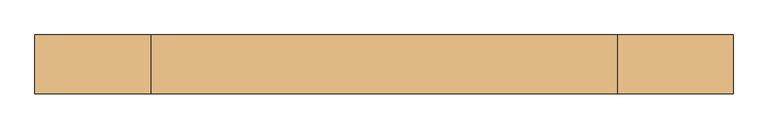
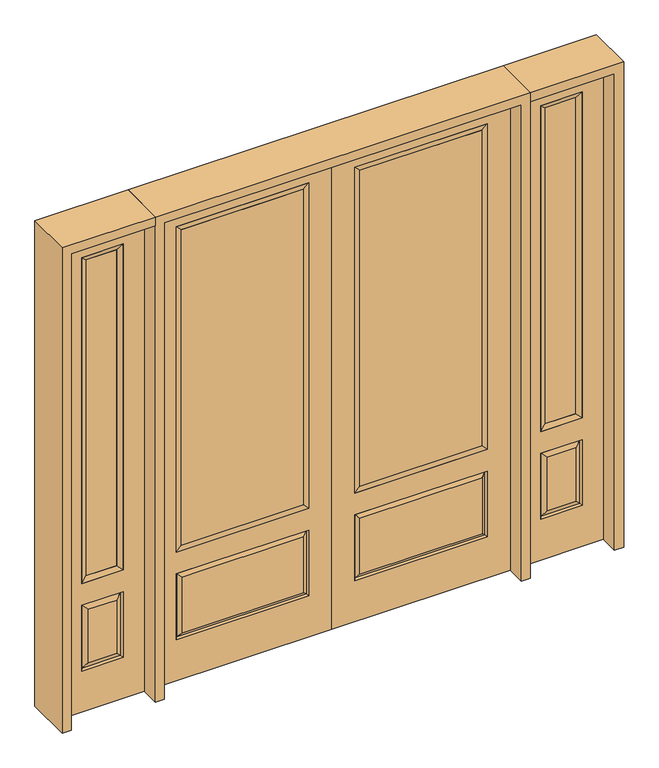
"""IFC4 building model written with IfcOpenShell, lengths in millimetres: door geometry."""

from ifc_helpers import new_model, si_unit, frame, origin, place, context, project, spatial, polyline, outline, extrude, faceted_brep, source, transform, mapped, element, save


def door_d50aadbe(model_context):
    return source(origin(), model_context, "Body", "SolidModel", [
        extrude(outline(polyline([(136.525, -20.32), (136.525, 5.08), (727.075, 5.08), (727.075, -20.32), (136.525, -20.32)])), frame((0.0, 0.0, 682.498), z_axis=(0.0, 0.0, 1.0), x_axis=(1.0, 0.0, 0.0)), (0.0, 0.0, 1.0), 1616.202),
        faceted_brep([(745.3661499, -12.7912373, 216.6588501), (727.86875, -22.225, 234.15625), (135.73125, -22.225, 234.15625), (118.2338501, -12.7912373, 216.6588501), (111.125, -22.225, 209.55), (752.475, -22.225, 209.55), (752.475, -22.225, 546.1), (745.3661499, -12.7912373, 538.9911499), (0.0, -22.225, 2438.4), (0.0, -22.225, 0.0), (863.6, -22.225, 0.0), (863.6, -22.225, 2438.4), (111.125, -22.225, 546.1), (111.125, -22.225, 2324.1), (752.475, -22.225, 2324.1), (752.475, -22.225, 657.098), (111.125, -22.225, 657.098), (727.86875, -22.225, 521.49375), (135.73125, -22.225, 521.49375), (118.2338501, -12.7912373, 538.9911499), (863.6, 22.225, 0.0), (863.6, 22.225, 2438.4), (0.0, 22.225, 0.0), (0.0, 22.225, 2438.4), (111.125, 22.225, 657.098), (111.125, 22.225, 2324.1), (752.475, 22.225, 657.098), (752.475, 22.225, 2324.1), (135.73125, 22.225, 234.15625), (135.73125, 22.225, 521.49375), (727.86875, 22.225, 521.49375), (727.86875, 22.225, 234.15625), (752.475, 22.225, 209.55), (752.475, 22.225, 546.1), (111.125, 22.225, 546.1), (111.125, 22.225, 209.55), (118.2338501, 12.7912373, 216.6588501), (745.3661499, 12.7912373, 216.6588501), (118.2338501, 12.7912373, 538.9911499), (745.3661499, 12.7912373, 538.9911499)], [[[0, 1, 2, 3]], [[3, 4, 5, 0]], [[5, 6, 7, 0]], [[8, 9, 10, 11], [4, 12, 6, 5], [13, 14, 15, 16]], [[1, 17, 18, 2]], [[3, 19, 12, 4]], [[2, 18, 19, 3]], [[0, 7, 17, 1]], [[6, 12, 19, 7]], [[7, 19, 18, 17]], [[10, 20, 21, 11]], [[9, 22, 20, 10]], [[8, 23, 22, 9]], [[16, 24, 25, 13]], [[15, 26, 24, 16]], [[14, 27, 26, 15]], [[28, 29, 30, 31]], [[23, 21, 20, 22], [25, 24, 26, 27], [32, 33, 34, 35]], [[32, 35, 36, 37]], [[35, 34, 38, 36]], [[39, 38, 34, 33]], [[37, 39, 33, 32]], [[36, 28, 31, 37]], [[31, 30, 39, 37]], [[30, 29, 38, 39]], [[36, 38, 29, 28]], [[11, 21, 23, 8]], [[13, 25, 27, 14]]]),
        faceted_brep([(752.475, -22.225, 2324.1), (752.475, -22.225, 657.098), (752.475, 22.225, 657.098), (752.475, 22.225, 2324.1), (111.125, -22.225, 657.098), (111.125, 22.225, 657.098), (136.525, 5.08, 682.498), (727.075, 5.08, 682.498), (111.125, -22.225, 2324.1), (111.125, 22.225, 2324.1), (727.075, -20.32, 682.498), (136.525, -20.32, 682.498), (727.075, -20.32, 2298.7), (136.525, -20.32, 2298.7), (727.075, 5.08, 2298.7), (136.525, 5.08, 2298.7)], [[[0, 1, 2, 3]], [[1, 4, 5, 2]], [[2, 5, 6, 7]], [[4, 8, 9, 5]], [[10, 11, 4, 1]], [[12, 10, 1, 0]], [[11, 13, 8, 4]], [[7, 6, 11, 10]], [[14, 7, 10, 12]], [[6, 15, 13, 11]], [[3, 2, 7, 14]], [[5, 9, 15, 6]], [[8, 0, 3, 9]], [[13, 12, 0, 8]], [[15, 14, 12, 13]], [[9, 3, 14, 15]]]),
        faceted_brep([(908.05, -22.225, 0.0), (1314.45, -22.225, 0.0), (1314.45, -22.225, 2438.4), (908.05, -22.225, 2438.4), (1211.58, -22.225, 2325.624), (1211.58, -22.225, 657.098), (1010.92, -22.225, 657.098), (1010.92, -22.225, 2325.624), (1211.58, -22.225, 209.55), (1010.92, -22.225, 209.55), (1010.92, -22.225, 546.1), (1211.58, -22.225, 546.1), (1042.6351001, -22.225, 241.2651001), (1179.8648999, -22.225, 241.2651001), (1179.8648999, -22.225, 514.3848999), (1042.6351001, -22.225, 514.3848999), (908.05, 22.225, 0.0), (908.05, 22.225, 2438.4), (1314.45, 22.225, 2438.4), (1314.45, 22.225, 0.0), (1211.58, 22.225, 2325.624), (1010.92, 22.225, 2325.624), (1010.92, 22.225, 657.098), (1211.58, 22.225, 657.098), (1010.92, 22.225, 209.55), (1211.58, 22.225, 209.55), (1211.58, 22.225, 546.1), (1010.92, 22.225, 546.1), (1179.8648999, 22.225, 241.2651001), (1042.6351001, 22.225, 241.2651001), (1042.6351001, 22.225, 514.3848999), (1179.8648999, 22.225, 514.3848999), (1204.4711499, 12.7912373, 216.6588501), (1018.0288501, 12.7912373, 216.6588501), (1018.0288501, 12.7912373, 538.9911499), (1204.4711499, 12.7912373, 538.9911499), (1018.0288501, -12.7912373, 216.6588501), (1204.4711499, -12.7912373, 216.6588501), (1018.0288501, -12.7912373, 538.9911499), (1204.4711499, -12.7912373, 538.9911499)], [[[0, 1, 2, 3], [4, 5, 6, 7], [8, 9, 10, 11]], [[12, 13, 14, 15]], [[16, 17, 18, 19], [20, 21, 22, 23], [24, 25, 26, 27]], [[28, 29, 30, 31]], [[1, 0, 16, 19]], [[2, 1, 19, 18]], [[3, 2, 18, 17]], [[0, 3, 17, 16]], [[5, 4, 20, 23]], [[6, 5, 23, 22]], [[7, 6, 22, 21]], [[4, 7, 21, 20]], [[32, 33, 29, 28]], [[33, 32, 25, 24]], [[29, 33, 34, 30]], [[33, 24, 27, 34]], [[30, 34, 35, 31]], [[34, 27, 26, 35]], [[32, 28, 31, 35]], [[25, 32, 35, 26]], [[12, 36, 37, 13]], [[37, 36, 9, 8]], [[36, 12, 15, 38]], [[9, 36, 38, 10]], [[38, 15, 14, 39]], [[10, 38, 39, 11]], [[13, 37, 39, 14]], [[37, 8, 11, 39]]]),
        faceted_brep([(1010.92, 22.225, 2325.624), (1010.92, -22.225, 2325.624), (1211.58, -22.225, 2325.624), (1211.58, 22.225, 2325.624), (1036.32, 12.7, 2300.224), (1186.18, 12.7, 2300.224), (1036.32, -12.7, 2300.224), (1186.18, -12.7, 2300.224), (1211.58, -22.225, 657.098), (1211.58, 22.225, 657.098), (1186.18, 12.7, 682.498), (1186.18, -12.7, 682.498), (1010.92, -22.225, 657.098), (1010.92, 22.225, 657.098), (1036.32, 12.7, 682.498), (1036.32, -12.7, 682.498)], [[[0, 1, 2, 3]], [[4, 0, 3, 5]], [[6, 4, 5, 7]], [[1, 6, 7, 2]], [[3, 2, 8, 9]], [[5, 3, 9, 10]], [[7, 5, 10, 11]], [[2, 7, 11, 8]], [[9, 8, 12, 13]], [[10, 9, 13, 14]], [[11, 10, 14, 15]], [[8, 11, 15, 12]], [[13, 12, 1, 0]], [[14, 13, 0, 4]], [[15, 14, 4, 6]], [[12, 15, 6, 1]]]),
        extrude(outline(polyline([(1186.18, -12.7), (1036.32, -12.7), (1036.32, 12.7), (1186.18, 12.7), (1186.18, -12.7)])), frame((0.0, 0.0, 682.498), z_axis=(0.0, 0.0, 1.0), x_axis=(1.0, 0.0, 0.0)), (0.0, 0.0, 1.0), 1617.726),
        faceted_brep([(-1314.45, -22.225, 0.0), (-908.05, -22.225, 0.0), (-908.05, -22.225, 2438.4), (-1314.45, -22.225, 2438.4), (-1010.92, -22.225, 2325.624), (-1010.92, -22.225, 657.098), (-1211.58, -22.225, 657.098), (-1211.58, -22.225, 2325.624), (-1010.92, -22.225, 209.55), (-1211.58, -22.225, 209.55), (-1211.58, -22.225, 546.1), (-1010.92, -22.225, 546.1), (-1179.8648999, -22.225, 241.2651001), (-1042.6351001, -22.225, 241.2651001), (-1042.6351001, -22.225, 514.3848999), (-1179.8648999, -22.225, 514.3848999), (-1314.45, 22.225, 0.0), (-1314.45, 22.225, 2438.4), (-908.05, 22.225, 2438.4), (-908.05, 22.225, 0.0), (-1010.92, 22.225, 2325.624), (-1211.58, 22.225, 2325.624), (-1211.58, 22.225, 657.098), (-1010.92, 22.225, 657.098), (-1211.58, 22.225, 209.55), (-1010.92, 22.225, 209.55), (-1010.92, 22.225, 546.1), (-1211.58, 22.225, 546.1), (-1042.6351001, 22.225, 241.2651001), (-1179.8648999, 22.225, 241.2651001), (-1179.8648999, 22.225, 514.3848999), (-1042.6351001, 22.225, 514.3848999), (-1018.0288501, 12.7912373, 216.6588501), (-1204.4711499, 12.7912373, 216.6588501), (-1204.4711499, 12.7912373, 538.9911499), (-1018.0288501, 12.7912373, 538.9911499), (-1204.4711499, -12.7912373, 216.6588501), (-1018.0288501, -12.7912373, 216.6588501), (-1204.4711499, -12.7912373, 538.9911499), (-1018.0288501, -12.7912373, 538.9911499)], [[[0, 1, 2, 3], [4, 5, 6, 7], [8, 9, 10, 11]], [[12, 13, 14, 15]], [[16, 17, 18, 19], [20, 21, 22, 23], [24, 25, 26, 27]], [[28, 29, 30, 31]], [[1, 0, 16, 19]], [[2, 1, 19, 18]], [[3, 2, 18, 17]], [[0, 3, 17, 16]], [[5, 4, 20, 23]], [[6, 5, 23, 22]], [[7, 6, 22, 21]], [[4, 7, 21, 20]], [[32, 33, 29, 28]], [[33, 32, 25, 24]], [[29, 33, 34, 30]], [[33, 24, 27, 34]], [[30, 34, 35, 31]], [[34, 27, 26, 35]], [[32, 28, 31, 35]], [[25, 32, 35, 26]], [[12, 36, 37, 13]], [[37, 36, 9, 8]], [[36, 12, 15, 38]], [[9, 36, 38, 10]], [[38, 15, 14, 39]], [[10, 38, 39, 11]], [[13, 37, 39, 14]], [[37, 8, 11, 39]]]),
        faceted_brep([(-1211.58, 22.225, 2325.624), (-1211.58, -22.225, 2325.624), (-1010.92, -22.225, 2325.624), (-1010.92, 22.225, 2325.624), (-1186.18, 12.7, 2300.224), (-1036.32, 12.7, 2300.224), (-1186.18, -12.7, 2300.224), (-1036.32, -12.7, 2300.224), (-1010.92, -22.225, 657.098), (-1010.92, 22.225, 657.098), (-1036.32, 12.7, 682.498), (-1036.32, -12.7, 682.498), (-1211.58, -22.225, 657.098), (-1211.58, 22.225, 657.098), (-1186.18, 12.7, 682.498), (-1186.18, -12.7, 682.498)], [[[0, 1, 2, 3]], [[4, 0, 3, 5]], [[6, 4, 5, 7]], [[1, 6, 7, 2]], [[3, 2, 8, 9]], [[5, 3, 9, 10]], [[7, 5, 10, 11]], [[2, 7, 11, 8]], [[9, 8, 12, 13]], [[10, 9, 13, 14]], [[11, 10, 14, 15]], [[8, 11, 15, 12]], [[13, 12, 1, 0]], [[14, 13, 0, 4]], [[15, 14, 4, 6]], [[12, 15, 6, 1]]]),
        extrude(outline(polyline([(-1036.32, -12.7), (-1186.18, -12.7), (-1186.18, 12.7), (-1036.32, 12.7), (-1036.32, -12.7)])), frame((0.0, 0.0, 682.498), z_axis=(0.0, 0.0, 1.0), x_axis=(1.0, 0.0, 0.0)), (0.0, 0.0, 1.0), 1617.726),
        extrude(outline(polyline([(-136.525, -20.32), (-727.075, -20.32), (-727.075, 5.08), (-136.525, 5.08), (-136.525, -20.32)])), frame((0.0, 0.0, 682.498), z_axis=(0.0, 0.0, 1.0), x_axis=(1.0, 0.0, 0.0)), (0.0, 0.0, 1.0), 1616.202),
        faceted_brep([(-745.3661499, -12.7912373, 216.6588501), (-118.2338501, -12.7912373, 216.6588501), (-135.73125, -22.225, 234.15625), (-727.86875, -22.225, 234.15625), (-752.475, -22.225, 209.55), (-111.125, -22.225, 209.55), (-745.3661499, -12.7912373, 538.9911499), (-752.475, -22.225, 546.1), (-135.73125, -22.225, 521.49375), (-727.86875, -22.225, 521.49375), (0.0, -22.225, 2438.4), (-863.6, -22.225, 2438.4), (-863.6, -22.225, 0.0), (0.0, -22.225, 0.0), (-111.125, -22.225, 546.1), (-111.125, -22.225, 2324.1), (-111.125, -22.225, 657.098), (-752.475, -22.225, 657.098), (-752.475, -22.225, 2324.1), (-118.2338501, -12.7912373, 538.9911499), (-863.6, 22.225, 2438.4), (-863.6, 22.225, 0.0), (0.0, 22.225, 0.0), (0.0, 22.225, 2438.4), (-111.125, 22.225, 2324.1), (-111.125, 22.225, 657.098), (-752.475, 22.225, 657.098), (-752.475, 22.225, 2324.1), (-752.475, 22.225, 209.55), (-111.125, 22.225, 209.55), (-111.125, 22.225, 546.1), (-752.475, 22.225, 546.1), (-135.73125, 22.225, 234.15625), (-727.86875, 22.225, 234.15625), (-727.86875, 22.225, 521.49375), (-135.73125, 22.225, 521.49375), (-745.3661499, 12.7912373, 216.6588501), (-118.2338501, 12.7912373, 216.6588501), (-118.2338501, 12.7912373, 538.9911499), (-745.3661499, 12.7912373, 538.9911499)], [[[0, 1, 2, 3]], [[1, 0, 4, 5]], [[4, 0, 6, 7]], [[3, 2, 8, 9]], [[10, 11, 12, 13], [5, 4, 7, 14], [15, 16, 17, 18]], [[1, 5, 14, 19]], [[2, 1, 19, 8]], [[0, 3, 9, 6]], [[7, 6, 19, 14]], [[6, 9, 8, 19]], [[12, 11, 20, 21]], [[13, 12, 21, 22]], [[10, 13, 22, 23]], [[16, 15, 24, 25]], [[17, 16, 25, 26]], [[18, 17, 26, 27]], [[23, 22, 21, 20], [28, 29, 30, 31], [24, 27, 26, 25]], [[32, 33, 34, 35]], [[28, 36, 37, 29]], [[29, 37, 38, 30]], [[39, 31, 30, 38]], [[36, 28, 31, 39]], [[37, 36, 33, 32]], [[33, 36, 39, 34]], [[34, 39, 38, 35]], [[37, 32, 35, 38]], [[11, 10, 23, 20]], [[15, 18, 27, 24]]]),
        faceted_brep([(-752.475, -22.225, 2324.1), (-752.475, 22.225, 2324.1), (-752.475, 22.225, 657.098), (-752.475, -22.225, 657.098), (-111.125, 22.225, 657.098), (-111.125, -22.225, 657.098), (-727.075, 5.08, 682.498), (-136.525, 5.08, 682.498), (-111.125, 22.225, 2324.1), (-111.125, -22.225, 2324.1), (-727.075, -20.32, 682.498), (-136.525, -20.32, 682.498), (-727.075, -20.32, 2298.7), (-136.525, -20.32, 2298.7), (-727.075, 5.08, 2298.7), (-136.525, 5.08, 2298.7)], [[[0, 1, 2, 3]], [[3, 2, 4, 5]], [[2, 6, 7, 4]], [[5, 4, 8, 9]], [[10, 3, 5, 11]], [[12, 0, 3, 10]], [[11, 5, 9, 13]], [[6, 10, 11, 7]], [[14, 12, 10, 6]], [[7, 11, 13, 15]], [[1, 14, 6, 2]], [[4, 7, 15, 8]], [[9, 8, 1, 0]], [[13, 9, 0, 12]], [[15, 13, 12, 14]], [[8, 15, 14, 1]]]),
        extrude(outline(polyline([(2438.4, -908.05), (2482.85, -908.05), (2482.85, -1358.9), (0.0, -1358.9), (0.0, -1314.45), (2438.4, -1314.45), (2438.4, -908.05)])), frame((0.0, -114.3, 0.0), z_axis=(0.0, 1.0, 0.0), x_axis=(0.0, 0.0, 1.0)), (0.0, 0.0, 1.0), 228.6),
        extrude(outline(polyline([(2482.85, -908.05), (0.0, -908.05), (0.0, -863.6), (2438.4, -863.6), (2438.4, 863.6), (0.0, 863.6), (0.0, 908.05), (2482.85, 908.05), (2482.85, -908.05)])), frame((0.0, -114.3, 0.0), z_axis=(0.0, 1.0, 0.0), x_axis=(0.0, 0.0, 1.0)), (0.0, 0.0, 1.0), 228.6),
        extrude(outline(polyline([(0.0, 1314.45), (0.0, 1358.9), (2482.85, 1358.9), (2482.85, 908.05), (2438.4, 908.05), (2438.4, 1314.45), (0.0, 1314.45)])), frame((0.0, -114.3, 0.0), z_axis=(0.0, 1.0, 0.0), x_axis=(0.0, 0.0, 1.0)), (0.0, 0.0, 1.0), 228.6),
    ])


if __name__ == "__main__":
    model = new_model("IFC4")
    model_context = context("Model", 3, world=origin())
    ifc_project = project(units=[si_unit("LENGTHUNIT", "METRE", prefix="MILLI")], contexts=[model_context])
    site = spatial("IfcSite", under=ifc_project)
    building = spatial("IfcBuilding", under=site)
    placement = place(None, origin())
    door_shape = door_d50aadbe(model_context)
    element("IfcDoor", 1, at=placement, inside=building, context=model_context, shape_type="MappedRepresentation", body=[
        mapped(door_shape, transform((0.0, 0.0, 0.0), x_axis=(1.0, 0.0, 0.0), y_axis=(0.0, 1.0, 0.0), z_axis=(0.0, 0.0, 1.0))),
    ])
    save(model, "model.ifc")
